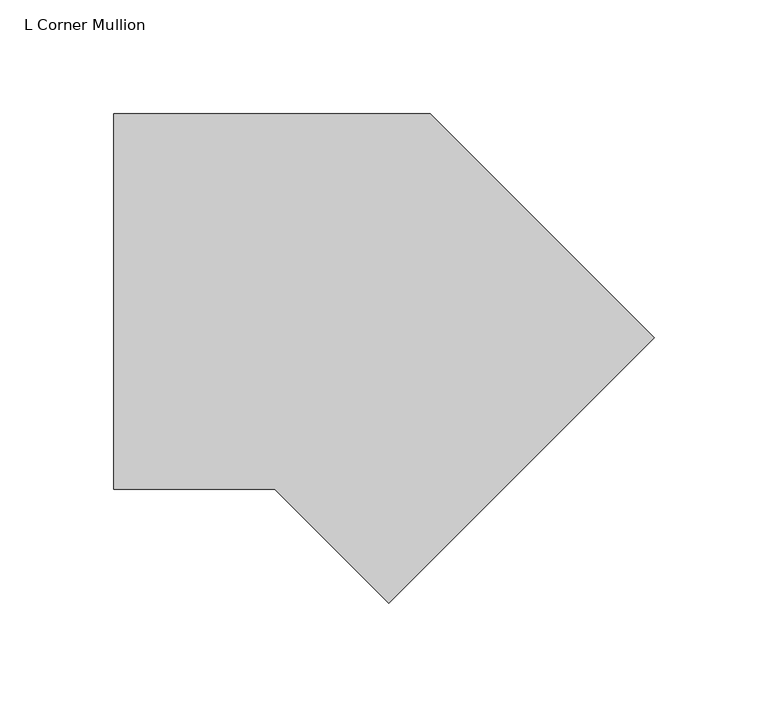
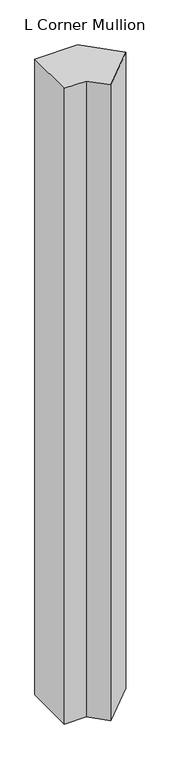
"""IFC4 building model written with IfcOpenShell, lengths in millimetres: member geometry, L Corner Mullion."""

from ifc_helpers import new_model, si_unit, frame, origin, place, context, project, spatial, polyline, outline, extrude, source, transform, mapped, element, save


def l_corner_mullion_149f8217(model_context):
    return source(origin(), model_context, "Body", "SweptSolid", [
        extrude(outline(polyline([(44.8587403, -62.8192525), (-5.2605122, -12.7), (-76.1398389, -12.7), (-76.1398389, 152.4), (63.1261469, 152.4), (161.6020699, 53.924077), (44.8587403, -62.8192525)])), frame((0.0, 0.0, -2177.0930655), z_axis=(0.0, 0.0, 1.0), x_axis=(1.0, 0.0, 0.0)), (0.0, 0.0, 1.0), 2177.0930655),
    ])


if __name__ == "__main__":
    model = new_model("IFC4")
    model_context = context("Model", 3, world=origin())
    ifc_project = project(units=[si_unit("LENGTHUNIT", "METRE", prefix="MILLI")], contexts=[model_context])
    site = spatial("IfcSite", under=ifc_project)
    building = spatial("IfcBuilding", under=site)
    placement = place(None, origin())
    l_corner_mullion_shape = l_corner_mullion_149f8217(model_context)
    element("IfcMember", 1, ObjectType="L Corner Mullion", at=placement, inside=building, context=model_context, shape_type="MappedRepresentation", body=[
        mapped(l_corner_mullion_shape, transform((0.0, 0.0, 0.0), x_axis=(1.0, 0.0, 0.0), y_axis=(0.0, 1.0, 0.0), z_axis=(0.0, 0.0, 1.0))),
    ])
    save(model, "model.ifc")
